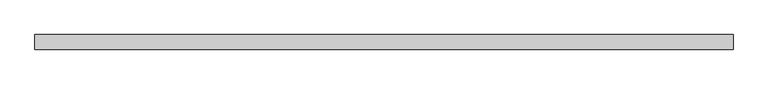
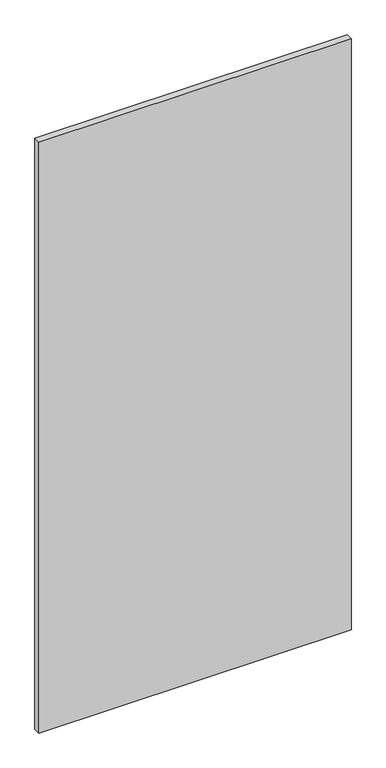
"""IFC4 building model written with IfcOpenShell, lengths in millimetres: plate geometry."""

from ifc_helpers import new_model, si_unit, origin, origin_with_axes, place, context, project, spatial, polyline, outline, extrude, source, transform, mapped, element, save


def plate_db87ac0d(model_context):
    return source(origin(), model_context, "Body", "SweptSolid", [
        extrude(outline(polyline([(581.1383937, 24.5), (-581.1383937, 24.5), (-581.1383937, 49.5), (581.1383937, 49.5), (581.1383937, 24.5)])), origin_with_axes(), (0.0, 0.0, 1.0), 2325.0),
    ])


if __name__ == "__main__":
    model = new_model("IFC4")
    model_context = context("Model", 3, world=origin())
    ifc_project = project(units=[si_unit("LENGTHUNIT", "METRE", prefix="MILLI")], contexts=[model_context])
    site = spatial("IfcSite", under=ifc_project)
    building = spatial("IfcBuilding", under=site)
    placement = place(None, origin())
    plate_shape = plate_db87ac0d(model_context)
    element("IfcPlate", 1, at=placement, inside=building, context=model_context, shape_type="MappedRepresentation", body=[
        mapped(plate_shape, transform((0.0, 0.0, 0.0), x_axis=(1.0, 0.0, 0.0), y_axis=(0.0, 1.0, 0.0), z_axis=(0.0, 0.0, 1.0))),
    ])
    save(model, "model.ifc")
